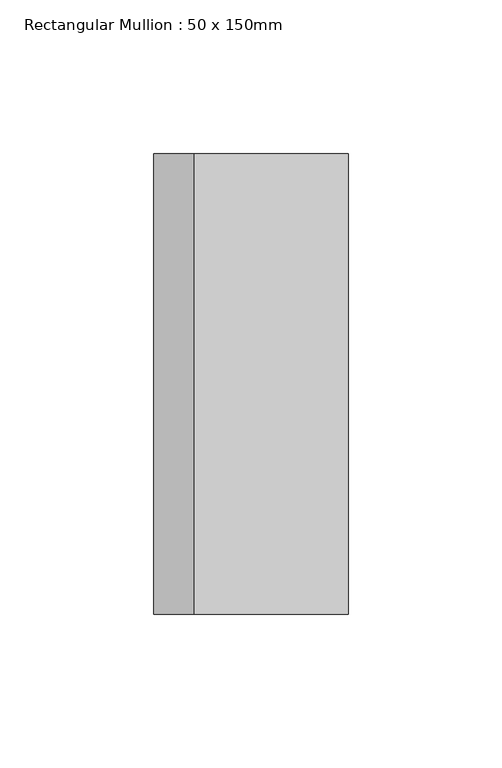
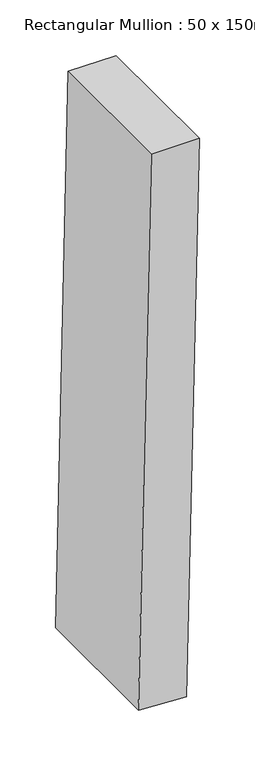
"""IFC4 building model written with IfcOpenShell, lengths in millimetres: member geometry, Rectangular Mullion : 50 x 150mm."""

from ifc_helpers import new_model, si_unit, point, frame, frame_2d, origin, place, context, project, spatial, polyline, circle_curve, trimmed, segment, composite_curve, outline, extrude, source, transform, mapped, element, save


def rectangular_mullion_50_x_150mm_1b30db92(model_context):
    return source(origin(), model_context, "Body", "SweptSolid", [
        extrude(outline(composite_curve([segment(trimmed(circle_curve(frame_2d((0.0, -13869.9628561)), 13869.9628561), [point((-609.2441432, -13.3871174))], [point((0.0, 0.0))], False, "CARTESIAN"), True, "CONTINUOUS"), segment(polyline([(0.0, 0.0), (0.0, -50.0)]), True, "CONTINUOUS"), segment(trimmed(circle_curve(frame_2d((0.0, -13869.9628561)), 13819.9628561), [point((0.0, -50.0))], [point((-607.0478715, -63.338858))], True, "CARTESIAN"), True, "CONTINUOUS"), segment(polyline([(-607.0478715, -63.338858), (-609.2441432, -13.3871174)]), True, "CONTINUOUS")], self_intersect=False)), frame((0.0, -75.0, 0.0), z_axis=(0.0, 1.0, 0.0), x_axis=(0.0, 0.0, 1.0)), (0.0, 0.0, 1.0), 150.0),
    ])


if __name__ == "__main__":
    model = new_model("IFC4")
    model_context = context("Model", 3, world=origin())
    ifc_project = project(units=[si_unit("LENGTHUNIT", "METRE", prefix="MILLI")], contexts=[model_context])
    site = spatial("IfcSite", under=ifc_project)
    building = spatial("IfcBuilding", under=site)
    placement = place(None, origin())
    rectangular_mullion_50_x_150mm_shape = rectangular_mullion_50_x_150mm_1b30db92(model_context)
    element("IfcMember", 1, ObjectType="Rectangular Mullion : 50 x 150mm", at=placement, inside=building, context=model_context, shape_type="MappedRepresentation", body=[
        mapped(rectangular_mullion_50_x_150mm_shape, transform((0.0, 0.0, 0.0), x_axis=(1.0, 0.0, 0.0), y_axis=(0.0, 1.0, 0.0), z_axis=(0.0, 0.0, 1.0))),
    ])
    save(model, "model.ifc")
